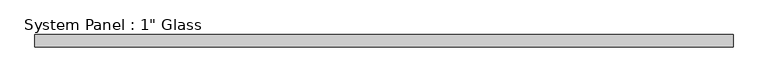
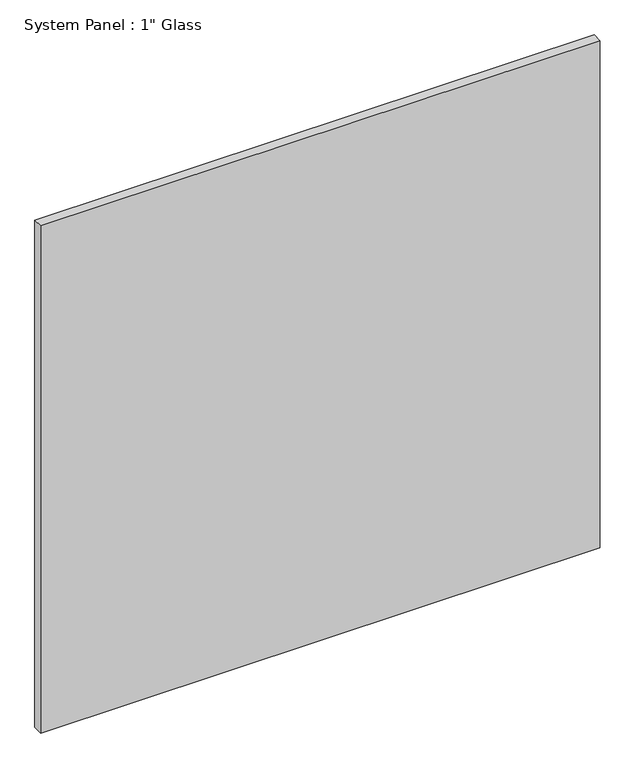
"""IFC4 building model written with IfcOpenShell, lengths in millimetres: plate geometry."""

from ifc_helpers import new_model, si_unit, origin, origin_with_axes, place, context, project, spatial, polyline, outline, extrude, source, transform, mapped, element, save


def plate_69a46f49(model_context):
    return source(origin(), model_context, "Body", "SweptSolid", [
        extrude(outline(polyline([(727.0758852, -12.7), (-727.0758852, -12.7), (-727.0758852, 12.7), (727.0758852, 12.7), (727.0758852, -12.7)])), origin_with_axes(), (0.0, 0.0, 1.0), 1393.1917704),
    ])


if __name__ == "__main__":
    model = new_model("IFC4")
    model_context = context("Model", 3, world=origin())
    ifc_project = project(units=[si_unit("LENGTHUNIT", "METRE", prefix="MILLI")], contexts=[model_context])
    site = spatial("IfcSite", under=ifc_project)
    building = spatial("IfcBuilding", under=site)
    placement = place(None, origin())
    plate_shape = plate_69a46f49(model_context)
    element("IfcPlate", 1, ObjectType="System Panel : 1\" Glass", at=placement, inside=building, context=model_context, shape_type="MappedRepresentation", body=[
        mapped(plate_shape, transform((0.0, 0.0, 0.0), x_axis=(1.0, 0.0, 0.0), y_axis=(0.0, 1.0, 0.0), z_axis=(0.0, 0.0, 1.0))),
    ])
    save(model, "model.ifc")
